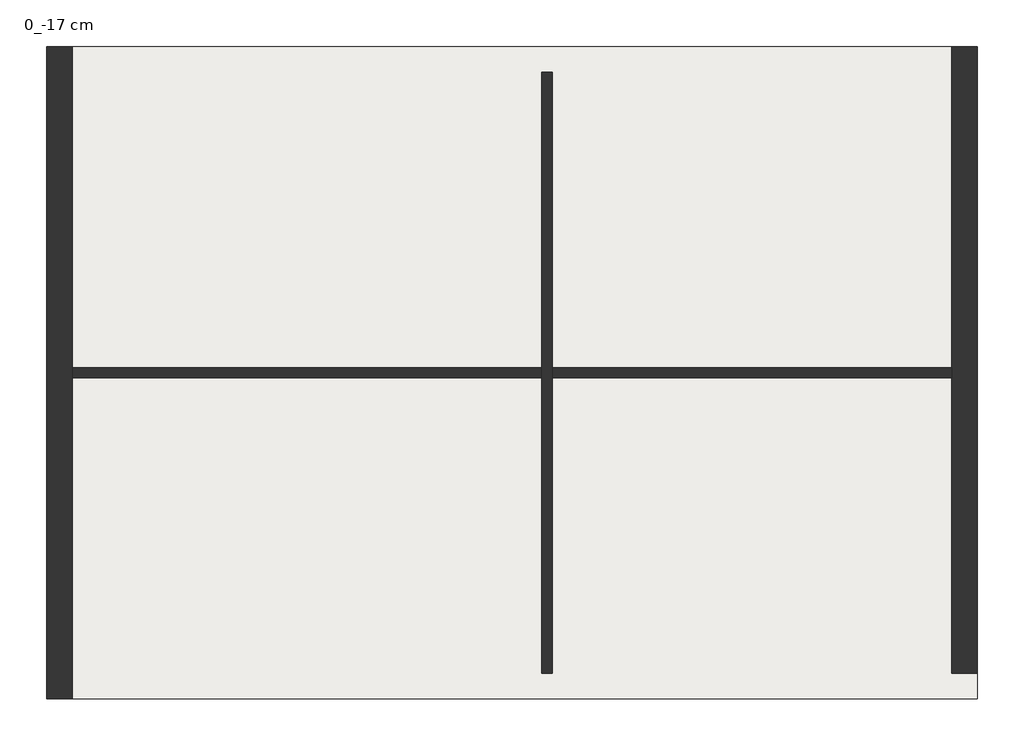
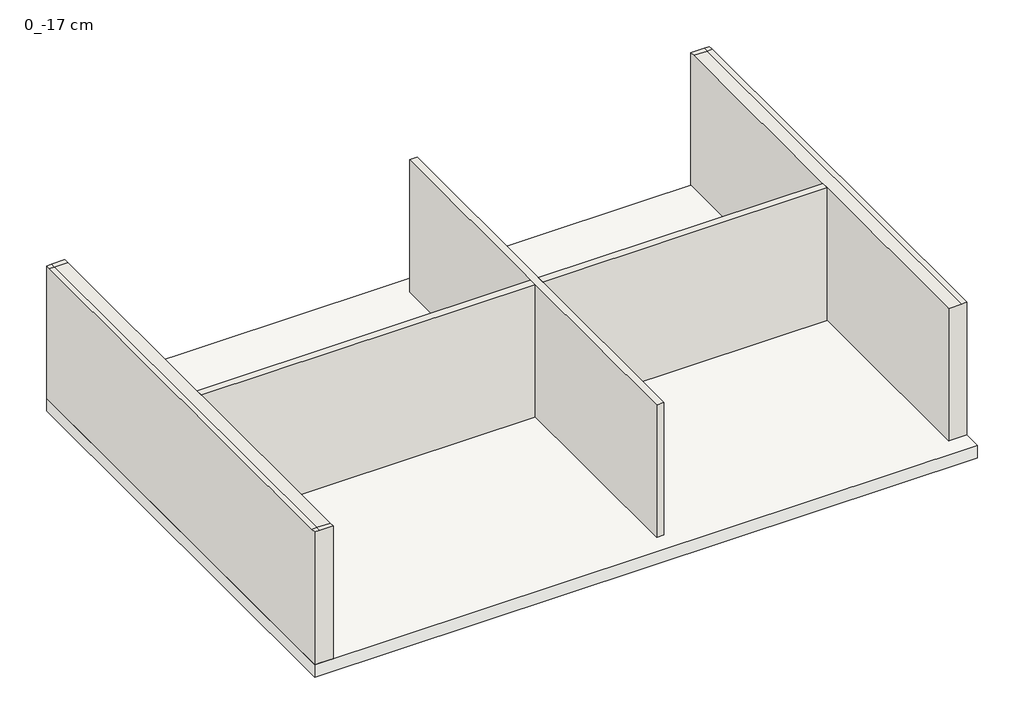
# One storey: 4 walls, 1 slab.
"""IFC4 building model written with IfcOpenShell, lengths in millimetres."""

from ifc_helpers import new_model, si_unit, frame, origin, place, context, project, spatial, polyline, outline, extrude, faceted_brep, element, save

model = new_model("IFC4")

# Units and contexts
model_context = context("Model", 3, world=origin())
ifc_project = project(units=[si_unit("LENGTHUNIT", "METRE", prefix="MILLI")], contexts=[model_context])

# Site, building, storey
site = spatial("IfcSite", under=ifc_project)
building = spatial("IfcBuilding", under=site)
storey = spatial("IfcBuildingStorey", under=building, Name="0_-17 cm", Elevation=-170.0)

# Slab
placement = place(None, origin())
element("IfcSlab", 1, ObjectType="Floor_27", at=placement, inside=storey, context=model_context, shape_type="SweptSolid", body=[
    extrude(outline(polyline([(9736.1680841, 12034.6977103), (9736.1680841, 2664.6977103), (-3633.8319159, 2664.6977103), (-3633.8319159, 12034.6977103), (9736.1680841, 12034.6977103)])), frame((0.0, 0.0, -440.0), z_axis=(0.0, 0.0, 1.0), x_axis=(1.0, 0.0, 0.0)), (0.0, 0.0, 1.0), 270.0),
])

# Walls
element("IfcWall", 2, ObjectType="Wall_Ext_37cm", at=placement, inside=storey, context=model_context, shape_type="Brep", body=[
    faceted_brep([(-3633.8319159, 12034.6977103, -170.0), (-3633.8319159, 2664.6977103, -170.0), (-3633.8319159, 2664.6977103, 2660.0), (-3633.8319159, 2764.6977103, 2660.0), (-3633.8319159, 11934.6977103, 2660.0), (-3633.8319159, 12034.6977103, 2660.0), (-3263.8319159, 12034.6977103, -170.0), (-3263.8319159, 12034.6977103, 2660.0), (-3263.8319159, 11934.6977103, 2660.0), (-3263.8319159, 11664.6977103, 2660.0), (-3263.8319159, 7424.6977103, 2660.0), (-3263.8319159, 7274.6977103, 2660.0), (-3263.8319159, 3034.6977103, 2660.0), (-3263.8319159, 2764.6977103, 2660.0), (-3263.8319159, 2664.6977103, 2660.0), (-3263.8319159, 2664.6977103, -170.0), (-3263.8319159, 3034.6977103, -170.0), (-3263.8319159, 7274.6977103, -170.0), (-3263.8319159, 7424.6977103, -170.0), (-3263.8319159, 11664.6977103, -170.0), (-3533.8319159, 12034.6977103, -170.0), (-3533.8319159, 2664.6977103, -170.0), (-3533.8319159, 2664.6977103, 2660.0), (-3533.8319159, 12034.6977103, 2660.0), (-3533.8319159, 11934.6977103, 2660.0), (-3533.8319159, 2764.6977103, 2660.0)], [[[0, 1, 2, 3, 4, 5]], [[6, 7, 8, 9, 10, 11, 12, 13, 14, 15, 16, 17, 18, 19]], [[20, 6, 19, 18, 17, 16, 15, 21]], [[2, 1, 21, 15, 14, 22]], [[0, 5, 23, 7, 6, 20]], [[1, 0, 20, 21]], [[24, 8, 7, 23]], [[5, 4, 24, 23]], [[4, 3, 25, 24]], [[22, 14, 13, 25]], [[3, 2, 22, 25]], [[25, 13, 12, 11, 10, 9, 8, 24]]]),
])
element("IfcWall", 3, ObjectType="Wall_Ext_37cm", at=placement, inside=storey, context=model_context, shape_type="Brep", body=[
    faceted_brep([(9736.1680841, 3034.6977103, -170.0), (9736.1680841, 12034.6977103, -170.0), (9736.1680841, 12034.6977103, 2660.0), (9736.1680841, 11934.6977103, 2660.0), (9736.1680841, 3034.6977103, 2660.0), (9366.1680841, 3034.6977103, -170.0), (9366.1680841, 3034.6977103, 2660.0), (9366.1680841, 7274.6977103, 2660.0), (9366.1680841, 7424.6977103, 2660.0), (9366.1680841, 11664.6977103, 2660.0), (9366.1680841, 11934.6977103, 2660.0), (9366.1680841, 12034.6977103, 2660.0), (9366.1680841, 12034.6977103, -170.0), (9366.1680841, 11664.6977103, -170.0), (9366.1680841, 7424.6977103, -170.0), (9366.1680841, 7274.6977103, -170.0), (9636.1680841, 3034.6977103, -170.0), (9636.1680841, 12034.6977103, -170.0), (9636.1680841, 3034.6977103, 2660.0), (9636.1680841, 12034.6977103, 2660.0), (9636.1680841, 11934.6977103, 2660.0)], [[[0, 1, 2, 3, 4]], [[5, 6, 7, 8, 9, 10, 11, 12, 13, 14, 15]], [[16, 5, 15, 14, 13, 12, 17]], [[0, 4, 18, 6, 5, 16]], [[2, 1, 17, 12, 11, 19]], [[1, 0, 16, 17]], [[4, 3, 20, 18]], [[19, 11, 10, 20]], [[3, 2, 19, 20]], [[20, 10, 9, 8, 7, 6, 18]]]),
])
element("IfcWall", 4, ObjectType="Wall_Int_15 cm", at=placement, inside=storey, context=model_context, shape_type="Brep", body=[
    faceted_brep([(3476.1680841, 11664.6977103, -170.0), (3476.1680841, 7424.6977103, -170.0), (3476.1680841, 7274.6977103, -170.0), (3476.1680841, 3034.6977103, -170.0), (3476.1680841, 3034.6977103, 2660.0), (3476.1680841, 7274.6977103, 2660.0), (3476.1680841, 7424.6977103, 2660.0), (3476.1680841, 11664.6977103, 2660.0), (3626.1680841, 11664.6977103, -170.0), (3626.1680841, 11664.6977103, 2660.0), (3626.1680841, 7424.6977103, 2660.0), (3626.1680841, 7274.6977103, 2660.0), (3626.1680841, 3034.6977103, 2660.0), (3626.1680841, 3034.6977103, -170.0), (3626.1680841, 7274.6977103, -170.0), (3626.1680841, 7424.6977103, -170.0)], [[[0, 1, 2, 3, 4, 5, 6, 7]], [[8, 9, 10, 11, 12, 13, 14, 15]], [[3, 2, 1, 0, 8, 15, 14, 13]], [[4, 3, 13, 12]], [[0, 7, 9, 8]], [[7, 6, 5, 4, 12, 11, 10, 9]]]),
])
element("IfcWall", 5, ObjectType="Wall_Int_15 cm", at=placement, inside=storey, context=model_context, shape_type="SweptSolid", body=[
    extrude(outline(polyline([(-3263.8319159, 7274.6977103), (-3263.8319159, 7424.6977103), (3476.1680841, 7424.6977103), (3476.1680841, 7274.6977103), (-3263.8319159, 7274.6977103)])), frame((0.0, 0.0, -170.0), z_axis=(0.0, 0.0, 1.0), x_axis=(1.0, 0.0, 0.0)), (0.0, 0.0, 1.0), 2830.0),
    extrude(outline(polyline([(9366.1680841, 7424.6977103), (9366.1680841, 7274.6977103), (3626.1680841, 7274.6977103), (3626.1680841, 7424.6977103), (9366.1680841, 7424.6977103)])), frame((0.0, 0.0, -170.0), z_axis=(0.0, 0.0, 1.0), x_axis=(1.0, 0.0, 0.0)), (0.0, 0.0, 1.0), 2830.0),
])

save(model, "model.ifc")
